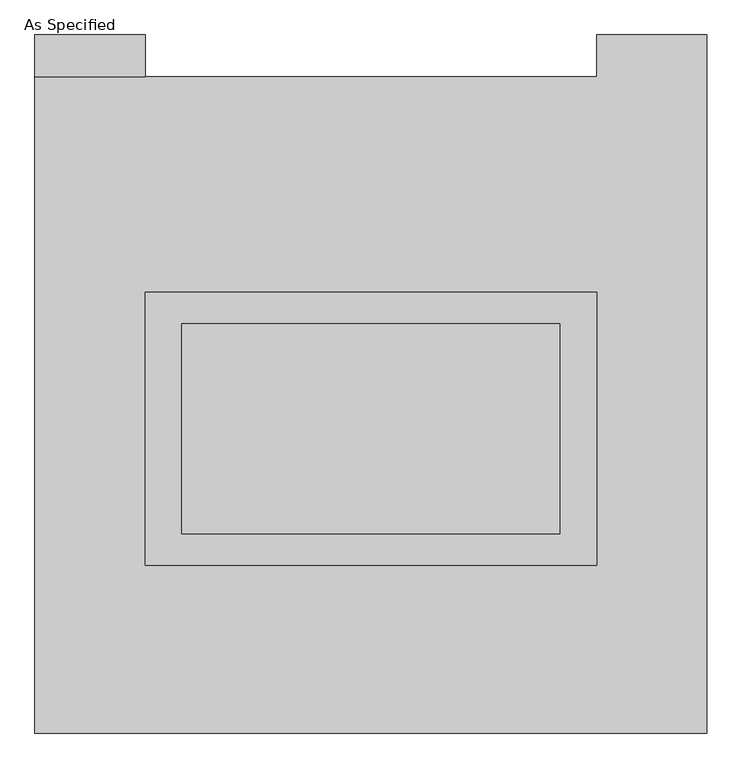
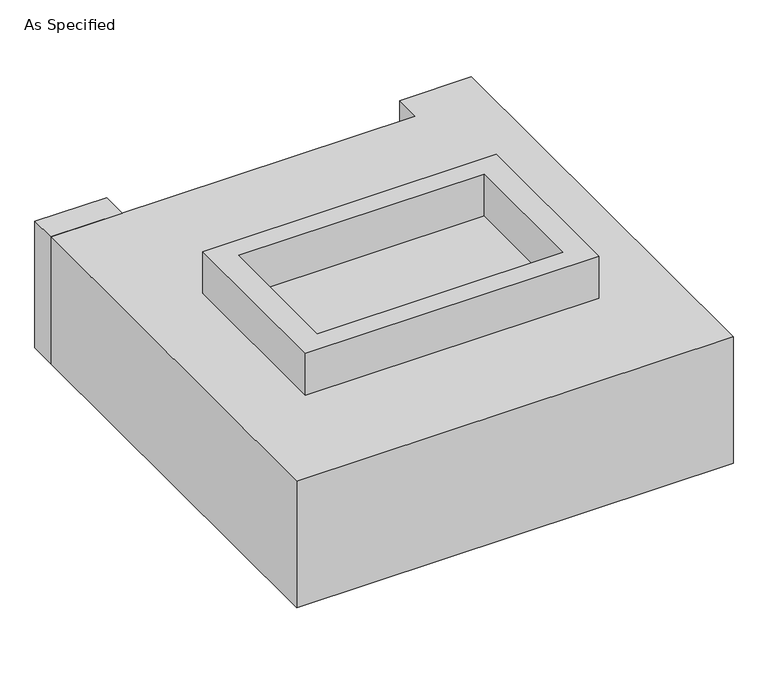
"""IFC4 building model written with IfcOpenShell, lengths in millimetres: proxy geometry, As Specified."""

from ifc_helpers import new_model, si_unit, frame, origin, place, context, project, spatial, polyline, outline, extrude, source, transform, mapped, element, save


def as_specified_436e9a0e(model_context):
    return source(origin(), model_context, "Body", "SweptSolid", [
        extrude(outline(polyline([(546.1, 273.05), (546.1, -387.35), (-546.1, -387.35), (-546.1, 273.05), (546.1, 273.05)]), holes=[polyline([(457.2, 196.85), (-457.2, 196.85), (-457.2, -311.15), (457.2, -311.15), (457.2, 196.85)])]), frame((0.0, 0.0, -688.975), z_axis=(0.0, 0.0, 1.0), x_axis=(1.0, 0.0, 0.0)), (0.0, 0.0, 1.0), 165.1),
        extrude(outline(polyline([(546.1, 273.05), (546.1, -387.35), (-546.1, -387.35), (-546.1, 273.05), (546.1, 273.05)]), holes=[polyline([(457.2, 196.85), (-457.2, 196.85), (-457.2, -311.15), (457.2, -311.15), (457.2, 196.85)])]), frame((0.0, 0.0, -25.4), z_axis=(0.0, 0.0, 1.0), x_axis=(1.0, 0.0, 0.0)), (0.0, 0.0, 1.0), 165.1),
        extrude(outline(polyline([(-546.1, 793.75), (-812.8, 793.75), (-812.8, 895.35), (-546.1, 895.35), (-546.1, 793.75)])), frame((0.0, 0.0, -523.875), z_axis=(0.0, 0.0, 1.0), x_axis=(1.0, 0.0, 0.0)), (0.0, 0.0, 1.0), 498.475),
        extrude(outline(polyline([(457.2, 196.85), (457.2, -311.15), (-457.2, -311.15), (-457.2, 196.85), (457.2, 196.85)])), frame((0.0, 0.0, -523.875), z_axis=(0.0, 0.0, 1.0), x_axis=(1.0, 0.0, 0.0)), (0.0, 0.0, 1.0), 4.9609375),
        extrude(outline(polyline([(457.2, 196.85), (457.2, -311.15), (-457.2, -311.15), (-457.2, 196.85), (457.2, 196.85)])), frame((0.0, 0.0, -30.3609375), z_axis=(0.0, 0.0, 1.0), x_axis=(1.0, 0.0, 0.0)), (0.0, 0.0, 1.0), 4.9609375),
        extrude(outline(polyline([(812.8, -793.75), (-812.8, -793.75), (-812.8, 793.75), (546.1, 793.75), (546.1, 895.35), (812.8, 895.35), (812.8, -793.75)]), holes=[polyline([(-546.1, 273.05), (-546.1, -387.35), (546.1, -387.35), (546.1, 273.05), (-546.1, 273.05)])]), frame((0.0, 0.0, -523.875), z_axis=(0.0, 0.0, 1.0), x_axis=(1.0, 0.0, 0.0)), (0.0, 0.0, 1.0), 498.475),
    ])


if __name__ == "__main__":
    model = new_model("IFC4")
    model_context = context("Model", 3, world=origin())
    ifc_project = project(units=[si_unit("LENGTHUNIT", "METRE", prefix="MILLI")], contexts=[model_context])
    site = spatial("IfcSite", under=ifc_project)
    building = spatial("IfcBuilding", under=site)
    placement = place(None, origin())
    as_specified_shape = as_specified_436e9a0e(model_context)
    element("IfcBuildingElementProxy", 1, Name="As Specified", ObjectType="As Specified", at=placement, inside=building, context=model_context, shape_type="MappedRepresentation", body=[
        mapped(as_specified_shape, transform((0.0, 0.0, 0.0), x_axis=(1.0, 0.0, 0.0), y_axis=(0.0, 1.0, 0.0), z_axis=(0.0, 0.0, 1.0))),
    ])
    save(model, "model.ifc")
